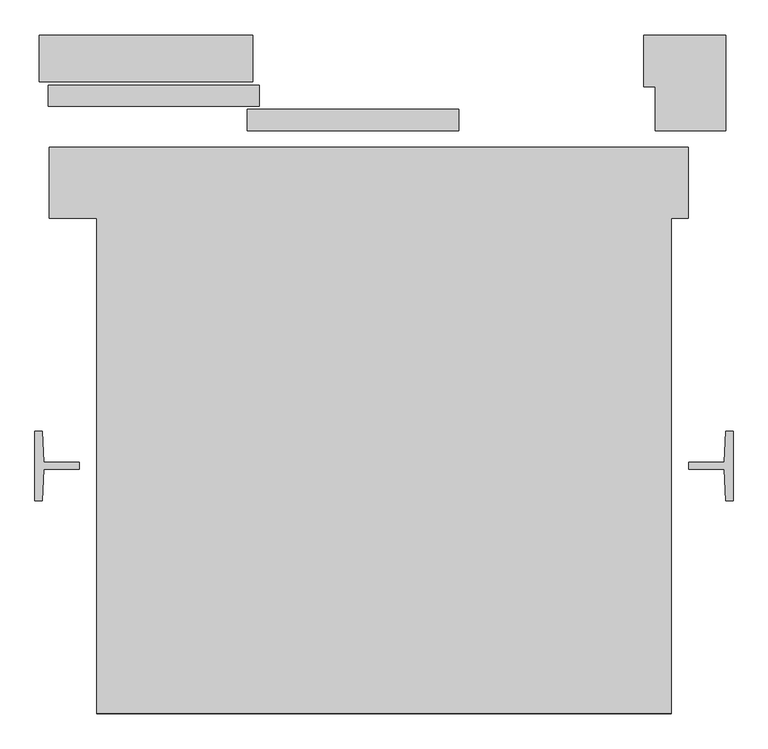
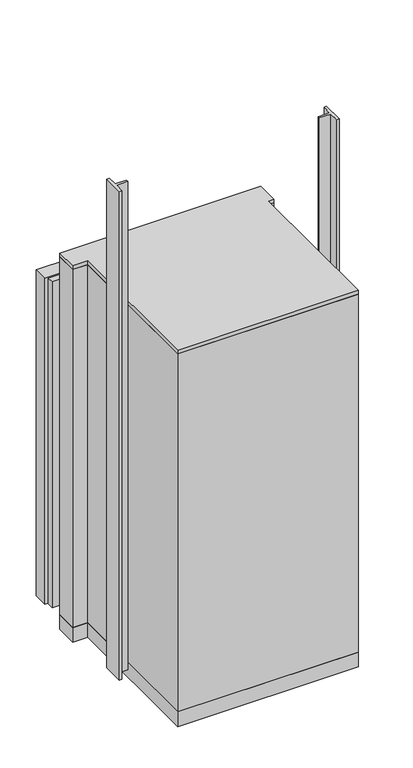
"""IFC4 building model written with IfcOpenShell, lengths in millimetres: proxy geometry."""

from ifc_helpers import new_model, si_unit, frame, origin, origin_with_axes, place, context, project, spatial, polyline, outline, extrude, faceted_brep, source, transform, mapped, element, save


def specialty_equipment_25105fba(model_context):
    return source(origin(), model_context, "Body", "SolidModel", [
        extrude(outline(polyline([(-400.0, -1140.0000001), (-400.0, -235.0), (-486.5, -235.0), (-486.5, -105.0), (681.0, -105.0), (681.0, -235.0), (650.0, -235.0), (650.0, -1140.0000001), (-400.0, -1140.0000001)])), frame((0.0, 0.0, 2200.0), z_axis=(0.0, 0.0, 1.0), x_axis=(1.0, 0.0, 0.0)), (0.0, 0.0, 1.0), 22.0),
        extrude(outline(polyline([(-448.6220553, -190.9893804), (-448.6220553, -149.3893804), (-62.6220553, -149.3893804), (-62.6220553, -190.9893804), (-448.6220553, -190.9893804)])), origin_with_axes(), (0.0, 0.0, 1.0), 2000.0),
        extrude(outline(polyline([(-114.8301, -144.0), (-114.8301, -108.9587126), (271.1699, -108.9587126), (271.1699, -144.0), (-114.8301, -144.0)])), origin_with_axes(), (0.0, 0.0, 1.0), 2000.0),
        extrude(outline(polyline([(-488.6220553, 8.3893803), (-102.6220553, 8.3893803), (-102.6220553, -30.6106197), (-488.6220553, -30.6106197), (-488.6220553, 8.3893803)])), origin_with_axes(), (0.0, 0.0, 1.0), 2000.0),
        extrude(outline(polyline([(-124.8301, -75.0), (-124.8301, -36.0), (261.1699, -36.0), (261.1699, -75.0), (-124.8301, -75.0)])), origin_with_axes(), (0.0, 0.0, 1.0), 2000.0),
        extrude(outline(polyline([(-400.0, -1140.0000001), (-400.0, -235.0), (-486.5, -235.0), (-486.5, -105.0), (681.0, -105.0), (681.0, -235.0), (650.0, -235.0), (650.0, -1140.0000001), (-400.0, -1140.0000001)])), frame((0.0, 0.0, -90.0), z_axis=(0.0, 0.0, 1.0), x_axis=(1.0, 0.0, 0.0)), (0.0, 0.0, 1.0), 90.0),
        faceted_brep([(-400.0, -1140.0000001, 2200.0), (650.0, -1140.0000001, 2200.0), (650.0, -235.0, 2200.0), (681.0, -235.0, 2200.0), (681.0, -105.0, 2200.0), (-486.5, -105.0, 2200.0), (-486.5, -235.0, 2200.0), (-400.0, -235.0, 2200.0), (-375.0, -1115.0000001, 2200.0), (-375.0, -235.0, 2200.0), (-110.3, -235.0, 2200.0), (-110.3, -197.0, 2200.0), (-458.1228936, -197.0, 2200.0), (-458.1228936, -108.9587126, 2200.0), (621.1699, -108.9587126, 2200.0), (621.1699, -192.6835257, 2200.0), (600.0, -192.6835257, 2200.0), (600.0, -235.0, 2200.0), (625.0, -235.0, 2200.0), (625.0, -572.5016433, 2200.0), (610.2454439, -572.5016433, 2200.0), (610.2454439, -802.5016433, 2200.0), (625.0, -802.5016433, 2200.0), (625.0, -1115.0000001, 2200.0), (-400.0, -1140.0000001, 0.0), (-400.0, -235.0, 0.0), (-486.5, -235.0, 0.0), (-486.5, -105.0, 0.0), (-173.4437103, -105.0, 0.0), (-173.4437103, -108.9587126, 0.0), (-458.1228936, -108.9587126, 0.0), (-458.1228936, -197.0, 0.0), (-110.3, -197.0, 0.0), (-110.3, -235.0, 0.0), (-375.0, -235.0, 0.0), (-375.0, -1115.0000001, 0.0), (625.0, -1115.0000001, 0.0), (625.0, -802.5016433, 0.0), (610.2454439, -802.5016433, 0.0), (610.2454439, -572.5016433, 0.0), (625.0, -572.5016433, 0.0), (625.0, -235.0, 0.0), (600.0, -235.0, 0.0), (600.0, -192.6835257, 0.0), (621.1699, -192.6835257, 0.0), (621.1699, -105.0, 0.0), (681.0, -105.0, 0.0), (681.0, -235.0, 0.0), (650.0, -235.0, 0.0), (650.0, -1140.0000001, 0.0), (621.1699, -105.0, 2000.0), (-173.4437103, -105.0, 2000.0), (-173.4437103, -108.9587126, 2000.0), (621.1699, -108.9587126, 2000.0), (600.0, -192.6835257, 2000.0)], [[[0, 1, 2, 3, 4, 5, 6, 7], [8, 9, 10, 11, 12, 13, 14, 15, 16, 17, 18, 19, 20, 21, 22, 23]], [[24, 25, 26, 27, 28, 29, 30, 31, 32, 33, 34, 35, 36, 37, 38, 39, 40, 41, 42, 43, 44, 45, 46, 47, 48, 49]], [[1, 0, 24, 49]], [[2, 1, 49, 48]], [[3, 2, 48, 47]], [[4, 3, 47, 46]], [[5, 4, 46, 45, 50, 51, 28, 27]], [[6, 5, 27, 26]], [[7, 6, 26, 25]], [[0, 7, 25, 24]], [[9, 8, 35, 34]], [[10, 9, 34, 33]], [[11, 10, 33, 32]], [[12, 11, 32, 31]], [[13, 12, 31, 30]], [[14, 13, 30, 29, 52, 53]], [[15, 14, 53, 50, 45, 44]], [[16, 15, 44, 43, 54]], [[17, 16, 54, 43, 42]], [[18, 17, 42, 41]], [[19, 18, 41, 40]], [[20, 19, 40, 39]], [[21, 20, 39, 38]], [[22, 21, 38, 37]], [[23, 22, 37, 36]], [[8, 23, 36, 35]], [[50, 53, 52, 51]], [[51, 52, 29, 28]]]),
        extrude(outline(polyline([(750.026988, -751.0012199), (747.026988, -693.80122), (682.0269884, -693.80122), (682.0269884, -681.3056039), (747.1132057, -681.3056039), (750.026988, -624.0012199), (763.026988, -624.0012199), (763.026988, -751.0012199), (750.026988, -751.0012199)])), origin_with_axes(), (0.0, 0.0, 1.0), 3000.0),
        extrude(outline(polyline([(-497.026988, -693.80122), (-500.026988, -751.0012199), (-513.026988, -751.0012199), (-513.026988, -624.0012199), (-500.026988, -624.0012199), (-497.1132057, -681.3056039), (-432.0269884, -681.3056039), (-432.0269884, -693.80122), (-497.026988, -693.80122)])), origin_with_axes(), (0.0, 0.0, 1.0), 3000.0),
        extrude(outline(polyline([(-114.9791786, 100.0), (-114.9791786, 14.4785696), (-505.0067971, 14.4785696), (-505.0067971, 100.0), (-114.9791786, 100.0)])), origin_with_axes(), (0.0, 0.0, 1.0), 2000.0),
        extrude(outline(polyline([(600.0, 5.0), (600.0, 100.0), (750.0, 100.0), (750.0, -75.0), (621.1699, -75.0), (621.1699, 5.0), (600.0, 5.0)])), origin_with_axes(), (0.0, 0.0, 1.0), 2000.0),
    ])


if __name__ == "__main__":
    model = new_model("IFC4")
    model_context = context("Model", 3, world=origin())
    ifc_project = project(units=[si_unit("LENGTHUNIT", "METRE", prefix="MILLI")], contexts=[model_context])
    site = spatial("IfcSite", under=ifc_project)
    building = spatial("IfcBuilding", under=site)
    placement = place(None, origin())
    specialty_equipment_shape = specialty_equipment_25105fba(model_context)
    element("IfcBuildingElementProxy", 1, Name="Specialty Equipment", at=placement, inside=building, context=model_context, shape_type="MappedRepresentation", body=[
        mapped(specialty_equipment_shape, transform((0.0, 0.0, 0.0), x_axis=(1.0, 0.0, 0.0), y_axis=(0.0, 1.0, 0.0), z_axis=(0.0, 0.0, 1.0))),
    ])
    save(model, "model.ifc")
